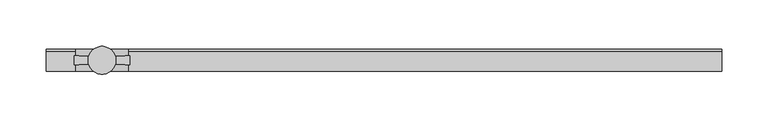
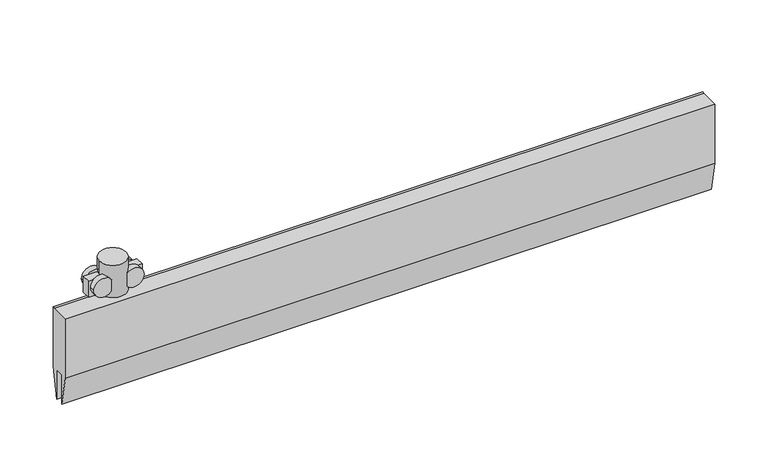
"""IFC4 building model written with IfcOpenShell, lengths in millimetres: proxy geometry."""

from ifc_helpers import new_model, si_unit, point, frame, frame_2d, origin, origin_2d, place, context, project, spatial, polyline, circle_curve, trimmed, segment, composite_curve, outline, extrude, source, transform, mapped, element, save


def specialty_equipment_c48fe5bd(model_context):
    return source(origin(), model_context, "Body", "SweptSolid", [
        extrude(outline(polyline([(-12.0, 49.0), (9.692747, 49.0), (12.0, 49.0), (12.0, -21.0), (5.0, -56.0), (5.0, -21.0), (-5.0, -21.0), (-5.0, -56.0), (-12.0, -21.0), (-12.0, 49.0)])), frame((-60.0, 0.0, 0.0), z_axis=(1.0, 0.0, 0.0), x_axis=(0.0, 1.0, 0.0)), (0.0, 0.0, 1.0), 727.9166667),
        extrude(outline(composite_curve([segment(trimmed(circle_curve(origin_2d(), 4.0), [point((-4.0, 0.0))], [point((4.0, 0.0))], False, "CARTESIAN"), True, "CONTINUOUS"), segment(trimmed(circle_curve(origin_2d(), 4.0), [point((4.0, 0.0))], [point((-4.0, 0.0))], False, "CARTESIAN"), True, "CONTINUOUS")], self_intersect=False)), frame((0.0, 0.0, 49.0), z_axis=(0.0, 0.0, 1.0), x_axis=(1.0, 0.0, 0.0)), (0.0, 0.0, 1.0), 30.0),
        extrude(outline(polyline([(30.0, -5.0), (-30.0, -5.0), (-30.0, 5.0), (30.0, 5.0), (30.0, -5.0)])), frame((0.0, 0.0, 60.4593609), z_axis=(0.0, 0.0, 1.0), x_axis=(1.0, 0.0, 0.0)), (0.0, 0.0, 1.0), 18.5406391),
        extrude(outline(composite_curve([segment(trimmed(circle_curve(frame_2d((71.5071727, 17.1562807)), 11.0), [point((71.5071727, 6.1562807))], [point((71.5071727, 28.1562807))], False, "CARTESIAN"), True, "CONTINUOUS"), segment(trimmed(circle_curve(frame_2d((71.5071727, 17.1562807)), 11.0), [point((71.5071727, 28.1562807))], [point((71.5071727, 6.1562807))], False, "CARTESIAN"), True, "CONTINUOUS")], self_intersect=False)), frame((0.0, 5.0, 0.0), z_axis=(0.0, 1.0, 0.0), x_axis=(0.0, 0.0, 1.0)), (0.0, 0.0, 1.0), 7.0),
        extrude(outline(composite_curve([segment(trimmed(circle_curve(frame_2d((71.5, 17.1562807)), 11.0), [point((71.5, 6.1562807))], [point((71.5, 28.1562807))], False, "CARTESIAN"), True, "CONTINUOUS"), segment(trimmed(circle_curve(frame_2d((71.5, 17.1562807)), 11.0), [point((71.5, 28.1562807))], [point((71.5, 6.1562807))], False, "CARTESIAN"), True, "CONTINUOUS")], self_intersect=False)), frame((0.0, -12.0, 0.0), z_axis=(0.0, 1.0, 0.0), x_axis=(0.0, 0.0, 1.0)), (0.0, 0.0, 1.0), 7.0),
        extrude(outline(composite_curve([segment(trimmed(circle_curve(frame_2d((71.5071727, -17.2187193)), 11.0), [point((71.5071727, -28.2187193))], [point((71.5071727, -6.2187193))], False, "CARTESIAN"), True, "CONTINUOUS"), segment(trimmed(circle_curve(frame_2d((71.5071727, -17.2187193)), 11.0), [point((71.5071727, -6.2187193))], [point((71.5071727, -28.2187193))], False, "CARTESIAN"), True, "CONTINUOUS")], self_intersect=False)), frame((0.0, 5.0, 0.0), z_axis=(0.0, 1.0, 0.0), x_axis=(0.0, 0.0, 1.0)), (0.0, 0.0, 1.0), 7.0),
        extrude(outline(composite_curve([segment(trimmed(circle_curve(frame_2d((71.5, -17.2187193)), 11.0), [point((71.5, -28.2187193))], [point((71.5, -6.2187193))], False, "CARTESIAN"), True, "CONTINUOUS"), segment(trimmed(circle_curve(frame_2d((71.5, -17.2187193)), 11.0), [point((71.5, -6.2187193))], [point((71.5, -28.2187193))], False, "CARTESIAN"), True, "CONTINUOUS")], self_intersect=False)), frame((0.0, -12.0, 0.0), z_axis=(0.0, 1.0, 0.0), x_axis=(0.0, 0.0, 1.0)), (0.0, 0.0, 1.0), 7.0),
        extrude(outline(composite_curve([segment(trimmed(circle_curve(origin_2d(), 15.0), [point((-15.0, 0.0))], [point((15.0, 0.0))], False, "CARTESIAN"), True, "CONTINUOUS"), segment(trimmed(circle_curve(origin_2d(), 15.0), [point((15.0, 0.0))], [point((-15.0, 0.0))], False, "CARTESIAN"), True, "CONTINUOUS")], self_intersect=False)), frame((0.0, 0.0, 57.0), z_axis=(0.0, 0.0, 1.0), x_axis=(1.0, 0.0, 0.0)), (0.0, 0.0, 1.0), 38.0),
    ])


if __name__ == "__main__":
    model = new_model("IFC4")
    model_context = context("Model", 3, world=origin())
    ifc_project = project(units=[si_unit("LENGTHUNIT", "METRE", prefix="MILLI")], contexts=[model_context])
    site = spatial("IfcSite", under=ifc_project)
    building = spatial("IfcBuilding", under=site)
    placement = place(None, origin())
    specialty_equipment_shape = specialty_equipment_c48fe5bd(model_context)
    element("IfcBuildingElementProxy", 1, Name="Specialty Equipment", at=placement, inside=building, context=model_context, shape_type="MappedRepresentation", body=[
        mapped(specialty_equipment_shape, transform((0.0, 0.0, 0.0), x_axis=(1.0, 0.0, 0.0), y_axis=(0.0, 1.0, 0.0), z_axis=(0.0, 0.0, 1.0))),
    ])
    save(model, "model.ifc")
